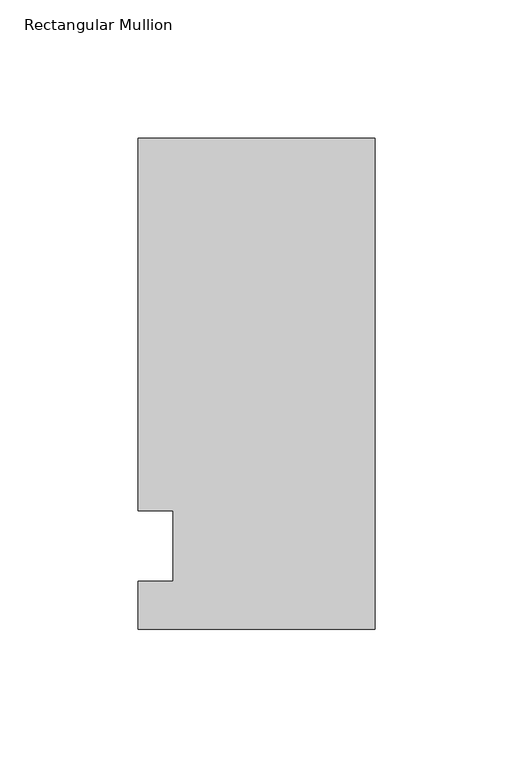
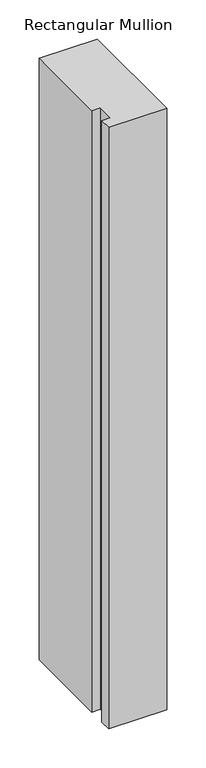
"""IFC4 building model written with IfcOpenShell, lengths in millimetres: member geometry, Rectangular Mullion."""

from ifc_helpers import new_model, si_unit, frame, origin, place, context, project, spatial, polyline, outline, extrude, source, transform, mapped, element, save


def rectangular_mullion_1e30e7dd(model_context):
    return source(origin(), model_context, "Body", "SweptSolid", [
        extrude(outline(polyline([(-85.725, 147.6375), (0.0, 147.6375), (0.0, -30.1625), (-85.725, -30.1625), (-85.725, -12.7), (-73.0232296, -12.7), (-73.0232296, 12.7), (-85.725, 12.7), (-85.725, 147.6375)])), frame((0.0, 0.0, -939.8), z_axis=(0.0, 0.0, 1.0), x_axis=(1.0, 0.0, 0.0)), (0.0, 0.0, 1.0), 939.8),
    ])


if __name__ == "__main__":
    model = new_model("IFC4")
    model_context = context("Model", 3, world=origin())
    ifc_project = project(units=[si_unit("LENGTHUNIT", "METRE", prefix="MILLI")], contexts=[model_context])
    site = spatial("IfcSite", under=ifc_project)
    building = spatial("IfcBuilding", under=site)
    placement = place(None, origin())
    rectangular_mullion_shape = rectangular_mullion_1e30e7dd(model_context)
    element("IfcMember", 1, ObjectType="Rectangular Mullion", at=placement, inside=building, context=model_context, shape_type="MappedRepresentation", body=[
        mapped(rectangular_mullion_shape, transform((0.0, 0.0, 0.0), x_axis=(1.0, 0.0, 0.0), y_axis=(0.0, 1.0, 0.0), z_axis=(0.0, 0.0, 1.0))),
    ])
    save(model, "model.ifc")
